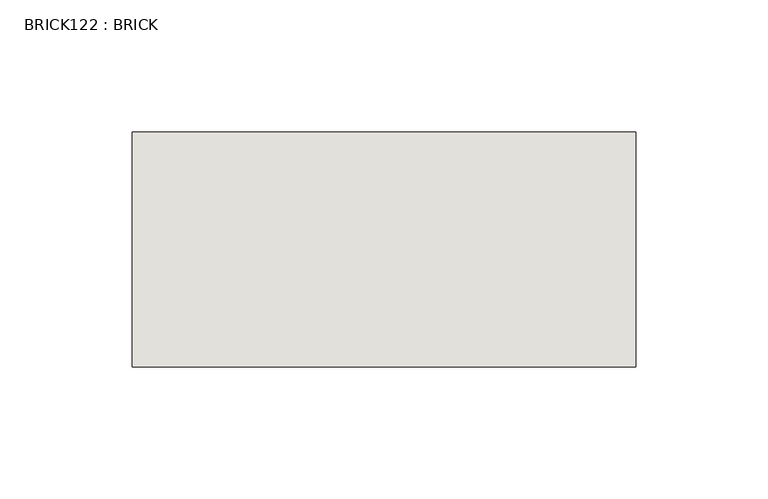
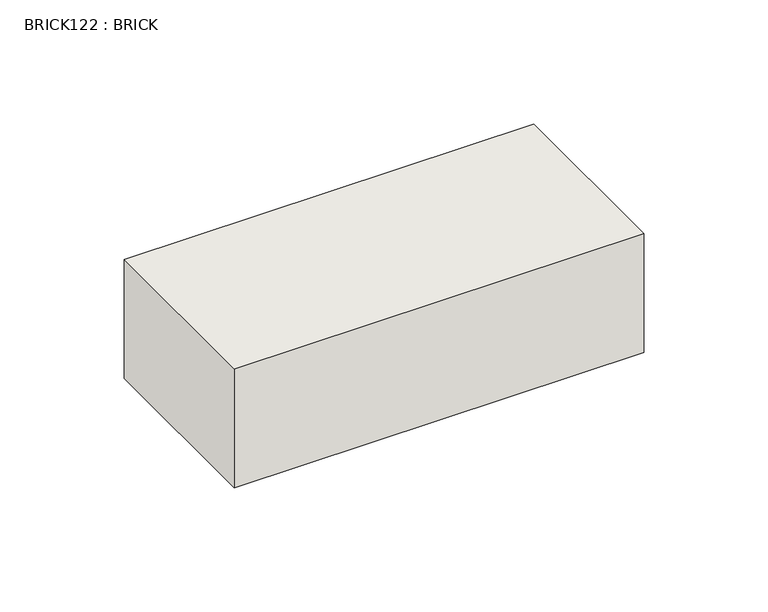
"""IFC4 building model written with IfcOpenShell, lengths in millimetres: wall geometry, BRICK122 : BRICK."""

from ifc_helpers import new_model, si_unit, frame, origin, place, context, project, spatial, polyline, outline, extrude, source, transform, mapped, element, save


def brick122_brick_50d4f1eb(model_context):
    return source(origin(), model_context, "Body", "SweptSolid", [
        extrude(outline(polyline([(428.4530711, 2586.2274125), (618.9530711, 2586.2274125), (618.9530711, 2497.3274125), (428.4530711, 2497.3274125), (428.4530711, 2586.2274125)])), frame((0.0, 0.0, 74.3148438), z_axis=(0.0, 0.0, 1.0), x_axis=(1.0, 0.0, 0.0)), (0.0, 0.0, 1.0), 58.4398437),
    ])


if __name__ == "__main__":
    model = new_model("IFC4")
    model_context = context("Model", 3, world=origin())
    ifc_project = project(units=[si_unit("LENGTHUNIT", "METRE", prefix="MILLI")], contexts=[model_context])
    site = spatial("IfcSite", under=ifc_project)
    building = spatial("IfcBuilding", under=site)
    placement = place(None, origin())
    brick122_brick_shape = brick122_brick_50d4f1eb(model_context)
    element("IfcWall", 1, ObjectType="BRICK122 : BRICK", at=placement, inside=building, context=model_context, shape_type="MappedRepresentation", body=[
        mapped(brick122_brick_shape, transform((0.0, 0.0, 0.0), x_axis=(1.0, 0.0, 0.0), y_axis=(0.0, 1.0, 0.0), z_axis=(0.0, 0.0, 1.0))),
    ])
    save(model, "model.ifc")
